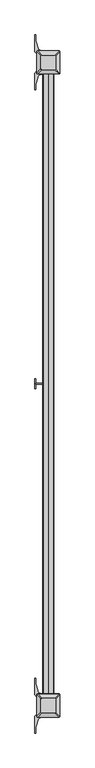
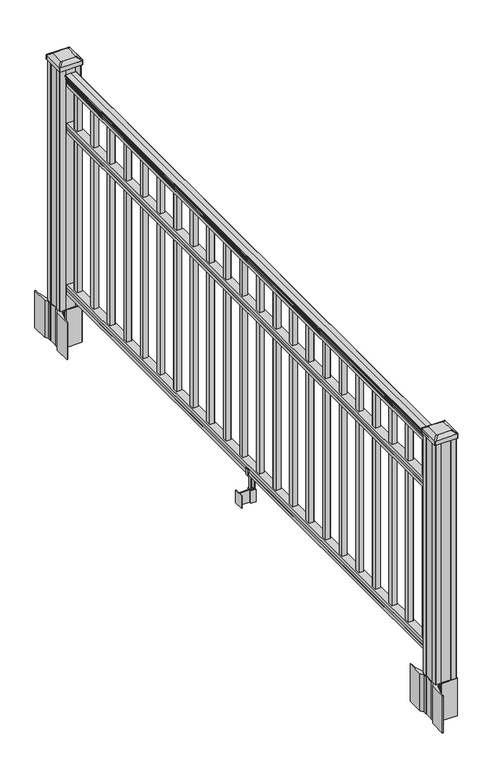
"""IFC4 building model written with IfcOpenShell, lengths in millimetres: railing geometry."""

from ifc_helpers import new_model, si_unit, point, frame, frame_2d, origin, origin_with_axes, place, context, project, spatial, polyline, circle_curve, trimmed, segment, composite_curve, outline, extrude, source, transform, mapped, element, save
from ifc_brep_helpers import plane_surface, extruded_surface, advanced_brep


def railing_6ecf8824(model_context):
    return source(origin(), model_context, "Body", "SolidModel", [
        extrude(outline(composite_curve([segment(polyline([(938.4043297, 949.2470786), (940.292412, 949.2470786)]), True, "CONTINUOUS"), segment(trimmed(circle_curve(frame_2d((946.0506383, 942.9323253)), 8.545951), [point((940.292412, 949.2470786))], [point((941.8546695, 950.3772649))], False, "CARTESIAN"), True, "CONTINUOUS"), segment(trimmed(circle_curve(frame_2d((945.4636577, 943.3693883)), 7.882584), [point((941.8546695, 950.3772649))], [point((949.0726458, 950.3772649))], False, "CARTESIAN"), True, "CONTINUOUS"), segment(trimmed(circle_curve(frame_2d((951.3112527, 953.8827124)), 4.1592695), [point((949.0726458, 950.3772649))], [point((951.5060812, 949.7280085))], True, "CARTESIAN"), True, "CONTINUOUS"), segment(trimmed(circle_curve(frame_2d((951.2508864, 955.1700189)), 5.4479907), [point((951.5060812, 949.7280085))], [point((955.8362083, 952.2280085))], True, "CARTESIAN"), True, "CONTINUOUS"), segment(trimmed(circle_curve(frame_2d((955.833395, 953.9368605)), 1.7088543), [point((955.8362083, 952.2280085))], [point((957.5157972, 953.6373509))], True, "CARTESIAN"), True, "CONTINUOUS"), segment(trimmed(circle_curve(frame_2d((958.6205318, 952.3199604)), 1.7192895), [point((957.5157972, 953.6373509))], [point((958.6205318, 954.0392499))], False, "CARTESIAN"), True, "CONTINUOUS"), segment(polyline([(958.6205318, 954.0392499), (959.9608158, 954.0392498)]), True, "CONTINUOUS"), segment(trimmed(circle_curve(frame_2d((959.9608158, 952.4858026)), 1.5534472), [point((959.9608158, 954.0392498))], [point((961.514263, 952.4858026))], False, "CARTESIAN"), True, "CONTINUOUS"), segment(polyline([(961.514263, 952.4858026), (961.514263, 931.8142498), (961.514263, 911.1426971)]), True, "CONTINUOUS"), segment(trimmed(circle_curve(frame_2d((959.9608158, 911.1426971)), 1.5534472), [point((961.514263, 911.1426971))], [point((959.9608158, 909.5892498))], False, "CARTESIAN"), True, "CONTINUOUS"), segment(polyline([(959.9608158, 909.5892498), (958.6205318, 909.5892498)]), True, "CONTINUOUS"), segment(trimmed(circle_curve(frame_2d((958.6205318, 911.3085393)), 1.7192895), [point((958.6205318, 909.5892498))], [point((957.5157972, 909.9911488))], False, "CARTESIAN"), True, "CONTINUOUS"), segment(trimmed(circle_curve(frame_2d((955.833395, 909.6916392)), 1.7088543), [point((957.5157972, 909.9911488))], [point((955.8362083, 911.4004912))], True, "CARTESIAN"), True, "CONTINUOUS"), segment(trimmed(circle_curve(frame_2d((951.2508864, 908.4584807)), 5.4479907), [point((955.8362083, 911.4004912))], [point((951.5060812, 913.9004912))], True, "CARTESIAN"), True, "CONTINUOUS"), segment(trimmed(circle_curve(frame_2d((951.3112527, 909.7457873)), 4.1592695), [point((951.5060812, 913.9004912))], [point((949.0726458, 913.2512348))], True, "CARTESIAN"), True, "CONTINUOUS"), segment(trimmed(circle_curve(frame_2d((945.4636577, 920.2591114)), 7.882584), [point((949.0726458, 913.2512348))], [point((941.8546695, 913.2512348))], False, "CARTESIAN"), True, "CONTINUOUS"), segment(trimmed(circle_curve(frame_2d((946.0506383, 920.6961744)), 8.545951), [point((941.8546695, 913.2512348))], [point((940.292412, 914.3814211))], False, "CARTESIAN"), True, "CONTINUOUS"), segment(polyline([(940.292412, 914.3814211), (938.4043297, 914.3814211)]), True, "CONTINUOUS"), segment(trimmed(circle_curve(frame_2d((938.4043297, 915.6683355)), 1.2869144), [point((938.4043297, 914.3814211))], [point((938.4043297, 916.9552498))], False, "CARTESIAN"), True, "CONTINUOUS"), segment(polyline([(938.4043297, 916.9552498), (927.9048283, 916.9552498), (926.8888283, 915.9392498), (914.4, 915.9392498), (914.4, 947.6892498), (926.731013, 947.6892498), (927.747013, 946.6732498), (938.4043297, 946.6732498)]), True, "CONTINUOUS"), segment(trimmed(circle_curve(frame_2d((938.4043297, 947.9601642)), 1.2869144), [point((938.4043297, 946.6732498))], [point((938.4043297, 949.2470786))], False, "CARTESIAN"), True, "CONTINUOUS")], self_intersect=False)), frame((0.0, -128207.7191011, 0.0), z_axis=(0.0, 1.0, 0.0), x_axis=(0.0, 0.0, 1.0)), (0.0, 0.0, 1.0), 2438.4),
        extrude(outline(polyline([(736.4541976, 947.7267367), (737.7546183, 946.7107367), (748.1141717, 946.7107367), (749.4624492, 947.7267367), (761.9958781, 947.7267367), (761.9958781, 915.9767367), (749.4458024, 915.9767367), (748.0975248, 916.9927367), (737.7858283, 916.9927367), (736.4375508, 915.9767367), (723.9, 915.9767367), (723.9, 947.7267367), (736.4541976, 947.7267367)])), frame((0.0, -128207.7191011, 0.0), z_axis=(0.0, 1.0, 0.0), x_axis=(0.0, 0.0, 1.0)), (0.0, 0.0, 1.0), 2438.4),
        extrude(outline(polyline([(76.0541976, 947.7267367), (77.3546183, 946.7107367), (87.7141717, 946.7107367), (89.0624492, 947.7267367), (101.5958781, 947.7267367), (101.5958781, 915.9767367), (89.0458024, 915.9767367), (87.6975248, 916.9927367), (77.3858283, 916.9927367), (76.0375508, 915.9767367), (63.5, 915.9767367), (63.5, 947.7267367), (76.0541976, 947.7267367)])), frame((0.0, -128207.7191011, 0.0), z_axis=(0.0, 1.0, 0.0), x_axis=(0.0, 0.0, 1.0)), (0.0, 0.0, 1.0), 2438.4),
        extrude(outline(polyline([(941.3392498, -125828.6281011), (922.2892498, -125828.6281011), (922.2892498, -125809.5781011), (941.3392498, -125809.5781011), (941.3392498, -125828.6281011)]), holes=[polyline([(940.9423748, -125828.2312261), (940.9423748, -125809.9749761), (922.6861248, -125809.9749761), (922.6861248, -125828.2312261), (940.9423748, -125828.2312261)])]), frame((0.0, 0.0, 101.5958781), z_axis=(0.0, 0.0, 1.0), x_axis=(1.0, 0.0, 0.0)), (0.0, 0.0, 1.0), 812.8041219),
        extrude(outline(polyline([(941.3392498, -125939.8801011), (922.2892498, -125939.8801011), (922.2892498, -125920.8301011), (941.3392498, -125920.8301011), (941.3392498, -125939.8801011)]), holes=[polyline([(940.9423748, -125939.4832261), (940.9423748, -125921.2269761), (922.6861248, -125921.2269761), (922.6861248, -125939.4832261), (940.9423748, -125939.4832261)])]), frame((0.0, 0.0, 101.5958781), z_axis=(0.0, 0.0, 1.0), x_axis=(1.0, 0.0, 0.0)), (0.0, 0.0, 1.0), 812.8041219),
        extrude(outline(polyline([(941.3392498, -126051.1321011), (922.2892498, -126051.1321011), (922.2892498, -126032.0821011), (941.3392498, -126032.0821011), (941.3392498, -126051.1321011)]), holes=[polyline([(940.9423748, -126050.7352261), (940.9423748, -126032.4789761), (922.6861248, -126032.4789761), (922.6861248, -126050.7352261), (940.9423748, -126050.7352261)])]), frame((0.0, 0.0, 101.5958781), z_axis=(0.0, 0.0, 1.0), x_axis=(1.0, 0.0, 0.0)), (0.0, 0.0, 1.0), 812.8041219),
        extrude(outline(polyline([(941.3392498, -126162.3841011), (922.2892498, -126162.3841011), (922.2892498, -126143.3341011), (941.3392498, -126143.3341011), (941.3392498, -126162.3841011)]), holes=[polyline([(940.9423748, -126161.9872261), (940.9423748, -126143.7309761), (922.6861248, -126143.7309761), (922.6861248, -126161.9872261), (940.9423748, -126161.9872261)])]), frame((0.0, 0.0, 101.5958781), z_axis=(0.0, 0.0, 1.0), x_axis=(1.0, 0.0, 0.0)), (0.0, 0.0, 1.0), 812.8041219),
        extrude(outline(polyline([(941.3392498, -126273.6361011), (922.2892498, -126273.6361011), (922.2892498, -126254.5861011), (941.3392498, -126254.5861011), (941.3392498, -126273.6361011)]), holes=[polyline([(940.9423748, -126273.2392261), (940.9423748, -126254.9829761), (922.6861248, -126254.9829761), (922.6861248, -126273.2392261), (940.9423748, -126273.2392261)])]), frame((0.0, 0.0, 101.5958781), z_axis=(0.0, 0.0, 1.0), x_axis=(1.0, 0.0, 0.0)), (0.0, 0.0, 1.0), 812.8041219),
        extrude(outline(polyline([(941.3392498, -126384.8881011), (922.2892498, -126384.8881011), (922.2892498, -126365.8381011), (941.3392498, -126365.8381011), (941.3392498, -126384.8881011)]), holes=[polyline([(940.9423748, -126384.4912261), (940.9423748, -126366.2349761), (922.6861248, -126366.2349761), (922.6861248, -126384.4912261), (940.9423748, -126384.4912261)])]), frame((0.0, 0.0, 101.5958781), z_axis=(0.0, 0.0, 1.0), x_axis=(1.0, 0.0, 0.0)), (0.0, 0.0, 1.0), 812.8041219),
        extrude(outline(polyline([(941.3392498, -126496.1401011), (922.2892498, -126496.1401011), (922.2892498, -126477.0901011), (941.3392498, -126477.0901011), (941.3392498, -126496.1401011)]), holes=[polyline([(940.9423748, -126495.7432261), (940.9423748, -126477.4869761), (922.6861248, -126477.4869761), (922.6861248, -126495.7432261), (940.9423748, -126495.7432261)])]), frame((0.0, 0.0, 101.5958781), z_axis=(0.0, 0.0, 1.0), x_axis=(1.0, 0.0, 0.0)), (0.0, 0.0, 1.0), 812.8041219),
        extrude(outline(polyline([(941.3392498, -126607.3921011), (922.2892498, -126607.3921011), (922.2892498, -126588.3421011), (941.3392498, -126588.3421011), (941.3392498, -126607.3921011)]), holes=[polyline([(940.9423748, -126606.9952261), (940.9423748, -126588.7389761), (922.6861248, -126588.7389761), (922.6861248, -126606.9952261), (940.9423748, -126606.9952261)])]), frame((0.0, 0.0, 101.5958781), z_axis=(0.0, 0.0, 1.0), x_axis=(1.0, 0.0, 0.0)), (0.0, 0.0, 1.0), 812.8041219),
        extrude(outline(polyline([(941.3392498, -126718.6441011), (922.2892498, -126718.6441011), (922.2892498, -126699.5941011), (941.3392498, -126699.5941011), (941.3392498, -126718.6441011)]), holes=[polyline([(940.9423748, -126718.2472261), (940.9423748, -126699.9909761), (922.6861248, -126699.9909761), (922.6861248, -126718.2472261), (940.9423748, -126718.2472261)])]), frame((0.0, 0.0, 101.5958781), z_axis=(0.0, 0.0, 1.0), x_axis=(1.0, 0.0, 0.0)), (0.0, 0.0, 1.0), 812.8041219),
        extrude(outline(polyline([(941.3392498, -126829.8961011), (922.2892498, -126829.8961011), (922.2892498, -126810.8461011), (941.3392498, -126810.8461011), (941.3392498, -126829.8961011)]), holes=[polyline([(940.9423748, -126829.4992261), (940.9423748, -126811.2429761), (922.6861248, -126811.2429761), (922.6861248, -126829.4992261), (940.9423748, -126829.4992261)])]), frame((0.0, 0.0, 101.5958781), z_axis=(0.0, 0.0, 1.0), x_axis=(1.0, 0.0, 0.0)), (0.0, 0.0, 1.0), 812.8041219),
        extrude(outline(polyline([(941.3392498, -126941.1481011), (922.2892498, -126941.1481011), (922.2892498, -126922.0981011), (941.3392498, -126922.0981011), (941.3392498, -126941.1481011)]), holes=[polyline([(940.9423748, -126940.7512261), (940.9423748, -126922.4949761), (922.6861248, -126922.4949761), (922.6861248, -126940.7512261), (940.9423748, -126940.7512261)])]), frame((0.0, 0.0, 101.5958781), z_axis=(0.0, 0.0, 1.0), x_axis=(1.0, 0.0, 0.0)), (0.0, 0.0, 1.0), 812.8041219),
        extrude(outline(polyline([(921.1462501, -126988.5191011), (881.7762498, -126988.5191011), (881.7762498, -126985.9791011), (921.1462501, -126985.9791011), (921.1462501, -126988.5191011)])), frame((0.0, 0.0, -50.8), z_axis=(0.0, 0.0, 1.0), x_axis=(1.0, 0.0, 0.0)), (0.0, 0.0, 1.0), 50.8),
        extrude(outline(polyline([(881.7762498, -127006.2991011), (879.2362498, -127006.2991011), (879.2362498, -126968.1991011), (881.7762498, -126968.1991011), (881.7762498, -127006.2991011)])), frame((0.0, 0.0, -50.8), z_axis=(0.0, 0.0, 1.0), x_axis=(1.0, 0.0, 0.0)), (0.0, 0.0, 1.0), 50.8),
        extrude(outline(polyline([(942.4822506, -126997.1551011), (921.1462501, -126997.1551011), (921.1462501, -126977.3431011), (942.4822506, -126977.3431011), (942.4822506, -126997.1551011)]), holes=[polyline([(939.1802505, -126994.6151011), (939.1802505, -126979.8831011), (924.4482501, -126979.8831011), (924.4482501, -126994.6151011), (939.1802505, -126994.6151011)])]), frame((0.0, 0.0, -50.8), z_axis=(0.0, 0.0, 1.0), x_axis=(1.0, 0.0, 0.0)), (0.0, 0.0, 1.0), 50.8),
        extrude(outline(polyline([(88.7203979, 913.653251), (87.9583969, 912.89125), (61.4680023, 912.89125), (60.7060013, 913.653251), (60.7060013, 923.6862501), (59.9440012, 924.4482501), (-3.5559988, 924.4482501), (-3.5559988, 939.1802505), (59.9440012, 939.1802505), (60.7060013, 939.9422506), (60.7060013, 949.9752496), (61.4680023, 950.7372507), (87.9583969, 950.7372507), (88.7203979, 949.9752496), (88.7203979, 947.94325), (87.7043953, 946.9272502), (77.2686081, 946.9272502), (76.2526073, 947.94325), (64.262001, 947.94325), (63.5000019, 947.1812509), (63.5000019, 916.4472497), (64.262001, 915.6852506), (76.2526073, 915.6852506), (77.2686081, 916.7012504), (87.7043953, 916.7012504), (88.7203979, 915.6852506), (88.7203979, 913.653251)]), holes=[polyline([(60.7060013, 935.2432502), (59.9440012, 936.0052503), (3.9370031, 936.0052503), (3.1750031, 935.2432502), (3.1750031, 928.3852476), (3.9370003, 927.6232503), (59.9440012, 927.6232503), (60.7060013, 928.3852504), (60.7060013, 935.2432502)])]), frame((0.0, -126994.6151011, 0.0), z_axis=(0.0, 1.0, 0.0), x_axis=(0.0, 0.0, 1.0)), (0.0, 0.0, 1.0), 14.732),
        extrude(outline(polyline([(941.3392498, -127052.4001011), (922.2892498, -127052.4001011), (922.2892498, -127033.3501011), (941.3392498, -127033.3501011), (941.3392498, -127052.4001011)]), holes=[polyline([(940.9423748, -127052.0032261), (940.9423748, -127033.7469761), (922.6861248, -127033.7469761), (922.6861248, -127052.0032261), (940.9423748, -127052.0032261)])]), frame((0.0, 0.0, 101.5958781), z_axis=(0.0, 0.0, 1.0), x_axis=(1.0, 0.0, 0.0)), (0.0, 0.0, 1.0), 812.8041219),
        extrude(outline(polyline([(941.3392498, -127163.6521011), (922.2892498, -127163.6521011), (922.2892498, -127144.6021011), (941.3392498, -127144.6021011), (941.3392498, -127163.6521011)]), holes=[polyline([(940.9423748, -127163.2552261), (940.9423748, -127144.9989761), (922.6861248, -127144.9989761), (922.6861248, -127163.2552261), (940.9423748, -127163.2552261)])]), frame((0.0, 0.0, 101.5958781), z_axis=(0.0, 0.0, 1.0), x_axis=(1.0, 0.0, 0.0)), (0.0, 0.0, 1.0), 812.8041219),
        extrude(outline(polyline([(941.3392498, -127274.9041011), (922.2892498, -127274.9041011), (922.2892498, -127255.8541011), (941.3392498, -127255.8541011), (941.3392498, -127274.9041011)]), holes=[polyline([(940.9423748, -127274.5072261), (940.9423748, -127256.2509761), (922.6861248, -127256.2509761), (922.6861248, -127274.5072261), (940.9423748, -127274.5072261)])]), frame((0.0, 0.0, 101.5958781), z_axis=(0.0, 0.0, 1.0), x_axis=(1.0, 0.0, 0.0)), (0.0, 0.0, 1.0), 812.8041219),
        extrude(outline(polyline([(941.3392498, -127386.1561011), (922.2892498, -127386.1561011), (922.2892498, -127367.1061011), (941.3392498, -127367.1061011), (941.3392498, -127386.1561011)]), holes=[polyline([(940.9423748, -127385.7592261), (940.9423748, -127367.5029761), (922.6861248, -127367.5029761), (922.6861248, -127385.7592261), (940.9423748, -127385.7592261)])]), frame((0.0, 0.0, 101.5958781), z_axis=(0.0, 0.0, 1.0), x_axis=(1.0, 0.0, 0.0)), (0.0, 0.0, 1.0), 812.8041219),
        extrude(outline(polyline([(941.3392498, -127497.4081011), (922.2892498, -127497.4081011), (922.2892498, -127478.3581011), (941.3392498, -127478.3581011), (941.3392498, -127497.4081011)]), holes=[polyline([(940.9423748, -127497.0112261), (940.9423748, -127478.7549761), (922.6861248, -127478.7549761), (922.6861248, -127497.0112261), (940.9423748, -127497.0112261)])]), frame((0.0, 0.0, 101.5958781), z_axis=(0.0, 0.0, 1.0), x_axis=(1.0, 0.0, 0.0)), (0.0, 0.0, 1.0), 812.8041219),
        extrude(outline(polyline([(941.3392498, -127608.6601011), (922.2892498, -127608.6601011), (922.2892498, -127589.6101011), (941.3392498, -127589.6101011), (941.3392498, -127608.6601011)]), holes=[polyline([(940.9423748, -127608.2632261), (940.9423748, -127590.0069761), (922.6861248, -127590.0069761), (922.6861248, -127608.2632261), (940.9423748, -127608.2632261)])]), frame((0.0, 0.0, 101.5958781), z_axis=(0.0, 0.0, 1.0), x_axis=(1.0, 0.0, 0.0)), (0.0, 0.0, 1.0), 812.8041219),
        extrude(outline(polyline([(941.3392498, -127719.9121011), (922.2892498, -127719.9121011), (922.2892498, -127700.8621011), (941.3392498, -127700.8621011), (941.3392498, -127719.9121011)]), holes=[polyline([(940.9423748, -127719.5152261), (940.9423748, -127701.2589761), (922.6861248, -127701.2589761), (922.6861248, -127719.5152261), (940.9423748, -127719.5152261)])]), frame((0.0, 0.0, 101.5958781), z_axis=(0.0, 0.0, 1.0), x_axis=(1.0, 0.0, 0.0)), (0.0, 0.0, 1.0), 812.8041219),
        extrude(outline(polyline([(941.3392498, -127831.1641011), (922.2892498, -127831.1641011), (922.2892498, -127812.1141011), (941.3392498, -127812.1141011), (941.3392498, -127831.1641011)]), holes=[polyline([(940.9423748, -127830.7672261), (940.9423748, -127812.5109761), (922.6861248, -127812.5109761), (922.6861248, -127830.7672261), (940.9423748, -127830.7672261)])]), frame((0.0, 0.0, 101.5958781), z_axis=(0.0, 0.0, 1.0), x_axis=(1.0, 0.0, 0.0)), (0.0, 0.0, 1.0), 812.8041219),
        extrude(outline(polyline([(941.3392498, -127942.4161011), (922.2892498, -127942.4161011), (922.2892498, -127923.3661011), (941.3392498, -127923.3661011), (941.3392498, -127942.4161011)]), holes=[polyline([(940.9423748, -127942.0192261), (940.9423748, -127923.7629761), (922.6861248, -127923.7629761), (922.6861248, -127942.0192261), (940.9423748, -127942.0192261)])]), frame((0.0, 0.0, 101.5958781), z_axis=(0.0, 0.0, 1.0), x_axis=(1.0, 0.0, 0.0)), (0.0, 0.0, 1.0), 812.8041219),
        extrude(outline(polyline([(941.3392498, -128053.6681011), (922.2892498, -128053.6681011), (922.2892498, -128034.6181011), (941.3392498, -128034.6181011), (941.3392498, -128053.6681011)]), holes=[polyline([(940.9423748, -128053.2712261), (940.9423748, -128035.0149761), (922.6861248, -128035.0149761), (922.6861248, -128053.2712261), (940.9423748, -128053.2712261)])]), frame((0.0, 0.0, 101.5958781), z_axis=(0.0, 0.0, 1.0), x_axis=(1.0, 0.0, 0.0)), (0.0, 0.0, 1.0), 812.8041219),
        extrude(outline(polyline([(941.3392498, -128164.9201011), (922.2892498, -128164.9201011), (922.2892498, -128145.8701011), (941.3392498, -128145.8701011), (941.3392498, -128164.9201011)]), holes=[polyline([(940.9423748, -128164.5232261), (940.9423748, -128146.2669761), (922.6861248, -128146.2669761), (922.6861248, -128164.5232261), (940.9423748, -128164.5232261)])]), frame((0.0, 0.0, 101.5958781), z_axis=(0.0, 0.0, 1.0), x_axis=(1.0, 0.0, 0.0)), (0.0, 0.0, 1.0), 812.8041219),
        extrude(outline(composite_curve([segment(polyline([(974.5497498, -125745.303196), (976.1372498, -125746.065196), (976.1372498, -125768.8671241), (972.7642728, -125772.2401011), (911.304602, -125772.2401011), (911.304602, -125773.1608511), (905.9870581, -125773.1608511), (905.9870581, -125774.6151058), (900.9025284, -125774.6151058), (900.9025284, -125775.8991297), (899.2352561, -125775.8991297)]), True, "CONTINUOUS"), segment(trimmed(circle_curve(frame_2d((899.2352561, -125782.9585895)), 7.0594599), [point((899.2352561, -125775.8991297))], [point((892.4679933, -125780.9485828))], True, "CARTESIAN"), True, "CONTINUOUS"), segment(polyline([(892.4679933, -125780.9485828), (884.593799, -125807.4593119)]), True, "CONTINUOUS"), segment(trimmed(circle_curve(frame_2d((939.3783123, -125823.7313616)), 57.15), [point((884.593799, -125807.4593119))], [point((882.2283123, -125823.7313616))], True, "CARTESIAN"), True, "CONTINUOUS"), segment(polyline([(882.2283123, -125823.7313616), (882.2283123, -125835.7401011), (879.2283123, -125835.7401011), (879.2283123, -125770.6526011), (887.4912498, -125759.3143098), (887.4912498, -125746.065196), (889.0787498, -125745.303196), (889.0787498, -125710.5310063), (887.4912498, -125709.7690063), (887.4912498, -125696.5198925), (879.2283123, -125685.1816011), (879.2283123, -125620.0941011), (882.2283123, -125620.0941011), (882.2283123, -125632.1028407)]), True, "CONTINUOUS"), segment(trimmed(circle_curve(frame_2d((939.3783123, -125632.1028407)), 57.15), [point((882.2283123, -125632.1028407))], [point((884.593799, -125648.3748904))], True, "CARTESIAN"), True, "CONTINUOUS"), segment(polyline([(884.593799, -125648.3748904), (892.4679933, -125674.8856194)]), True, "CONTINUOUS"), segment(trimmed(circle_curve(frame_2d((899.2352561, -125672.8756128)), 7.0594599), [point((892.4679933, -125674.8856194))], [point((899.2352561, -125679.9350726))], True, "CARTESIAN"), True, "CONTINUOUS"), segment(polyline([(899.2352561, -125679.9350726), (900.9025284, -125679.9350726), (900.9025284, -125681.2190965), (905.9870581, -125681.2190965), (905.9870581, -125682.6733511), (911.304602, -125682.6733511), (911.304602, -125683.5941011), (972.7642728, -125683.5941011), (976.1372498, -125686.9670782), (976.1372498, -125709.7690063), (974.5497498, -125710.5310063), (974.5497498, -125745.303196)]), True, "CONTINUOUS")], self_intersect=False), holes=[polyline([(890.5392498, -125688.2296011), (890.5392498, -125767.6046011), (892.1267498, -125769.1921011), (929.0510325, -125769.1921011), (971.5017498, -125769.1921011), (973.0892498, -125767.6046011), (973.0892498, -125688.2296011), (971.5017498, -125686.6421011), (929.0510325, -125686.6421011), (892.1267498, -125686.6421011), (890.5392498, -125688.2296011)])]), frame((0.0, 0.0, -152.4), z_axis=(0.0, 0.0, 1.0), x_axis=(1.0, 0.0, 0.0)), (0.0, 0.0, 1.0), 152.4),
        advanced_brep(
        [(906.0173748, -125756.8889761, 1012.825), (957.6111248, -125756.8889761, 1012.825), (960.7861248, -125753.7139761, 1012.825), (960.7861248, -125702.1202261, 1012.825), (957.6111248, -125698.9452261, 1012.825), (906.0173748, -125698.9452261, 1012.825), (902.8423748, -125702.1202261, 1012.825), (902.8423748, -125753.7139761, 1012.825), (889.7454998, -125773.1608511, 1001.522), (886.5704998, -125769.9858511, 1001.522), (886.5704998, -125685.8483511, 1001.522), (889.7454998, -125682.6733511, 1001.522), (973.8829998, -125682.6733511, 1001.522), (977.0579998, -125685.8483511, 1001.522), (977.0579998, -125769.9858511, 1001.522), (973.8829998, -125773.1608511, 1001.522)],
        [
            (0, 1),
            (1, 2, circle_curve(frame((957.6111248, -125753.7139761, 1012.825), z_axis=(0.0, 0.0, 1.0), x_axis=(0.0, 1.0, 0.0)), 3.175)),
            (2, 3),
            (3, 4, circle_curve(frame((957.6111248, -125702.1202261, 1012.825), z_axis=(0.0, 0.0, 1.0), x_axis=(0.0, 1.0, 0.0)), 3.175)),
            (4, 5),
            (5, 6, circle_curve(frame((906.0173748, -125702.1202261, 1012.825), z_axis=(0.0, 0.0, 1.0), x_axis=(0.0, 1.0, 0.0)), 3.175)),
            (6, 7),
            (7, 0, circle_curve(frame((906.0173748, -125753.7139761, 1012.825), z_axis=(0.0, 0.0, 1.0), x_axis=(0.0, 1.0, 0.0)), 3.175)),
            (8, 9, circle_curve(frame((889.7454998, -125769.9858511, 1001.522), z_axis=(0.0, 0.0, -1.0), x_axis=(0.0, 1.0, 0.0)), 3.175)),
            (9, 10),
            (10, 11, circle_curve(frame((889.7454998, -125685.8483511, 1001.522), z_axis=(0.0, 0.0, -1.0), x_axis=(0.0, 1.0, 0.0)), 3.175)),
            (11, 12),
            (12, 13, circle_curve(frame((973.8829998, -125685.8483511, 1001.522), z_axis=(0.0, 0.0, -1.0), x_axis=(0.0, 1.0, 0.0)), 3.175)),
            (13, 14),
            (14, 15, circle_curve(frame((973.8829998, -125769.9858511, 1001.522), z_axis=(0.0, 0.0, -1.0), x_axis=(0.0, 1.0, 0.0)), 3.175)),
            (15, 8),
            (8, 0),
            (7, 9),
            (6, 10),
            (5, 11),
            (4, 12),
            (3, 13),
            (2, 14),
            (1, 15),
        ],
        [
            plane_surface(frame((931.8142498, -125727.9171011, 1012.825), z_axis=(0.0, 0.0, 1.0), x_axis=(-1.0, 0.0, 0.0))),
            plane_surface(frame((931.8142498, -125727.9171011, 1001.522), z_axis=(0.0, 0.0, -1.0), x_axis=(-1.0, 0.0, 0.0))),
            extruded_surface(trimmed(circle_curve(frame((906.0173748, -125753.7139761, 1012.825), z_axis=(0.0, 0.0, -1.0), x_axis=(0.0, 1.0, 0.0)), 3.175), [point((906.0173748, -125756.8889761, 1012.825))], [point((902.8423748, -125753.7139761, 1012.825))], True, "CARTESIAN"), (-16.271875000000023, -16.27187500000582, -11.302999999999997), 25.637972638869872),
            plane_surface(frame((886.5704998, -125727.9171011, 1001.522), z_axis=(-0.5705009161540779, 0.0, 0.8212969649690408), x_axis=(0.0, 1.0, 0.0))),
            extruded_surface(trimmed(circle_curve(frame((906.0173748, -125702.1202261, 1012.825), z_axis=(0.0, 0.0, -1.0), x_axis=(0.0, 1.0, 0.0)), 3.175), [point((902.8423748, -125702.1202261, 1012.825))], [point((906.0173748, -125698.9452261, 1012.825))], True, "CARTESIAN"), (-16.271875000000023, 16.27187500000582, -11.302999999999997), 25.637972638869872),
            plane_surface(frame((931.8142498, -125682.6733511, 1001.522), z_axis=(0.0, 0.5705009161540291, 0.8212969649690747), x_axis=(1.0, 0.0, 0.0))),
            extruded_surface(trimmed(circle_curve(frame((957.6111248, -125702.1202261, 1012.825), z_axis=(0.0, 0.0, -1.0), x_axis=(0.0, 1.0, 0.0)), 3.175), [point((957.6111248, -125698.9452261, 1012.825))], [point((960.7861248, -125702.1202261, 1012.825))], True, "CARTESIAN"), (16.271875000000023, 16.27187500000582, -11.302999999999997), 25.637972638869872),
            plane_surface(frame((977.0579998, -125727.9171011, 1001.522), z_axis=(0.5705009161540141, 0.0, 0.8212969649690851), x_axis=(0.0, -1.0, 0.0))),
            extruded_surface(trimmed(circle_curve(frame((957.6111248, -125753.7139761, 1012.825), z_axis=(0.0, 0.0, -1.0), x_axis=(0.0, 1.0, 0.0)), 3.175), [point((960.7861248, -125753.7139761, 1012.825))], [point((957.6111248, -125756.8889761, 1012.825))], True, "CARTESIAN"), (16.271875000000023, -16.27187500000582, -11.302999999999997), 25.637972638869872),
            plane_surface(frame((931.8142498, -125773.1608511, 1001.522), z_axis=(0.0, -0.570500916154034, 0.8212969649690713), x_axis=(-1.0, 0.0, 0.0))),
        ],
        [
            (0, [[1, 2, 3, 4, 5, 6, 7, 8]]),
            (1, [[9, 10, 11, 12, 13, 14, 15, 16]]),
            (2, [[17, -8, 18, -9]]),
            (3, [[-18, -7, 19, -10]]),
            (4, [[-19, -6, 20, -11]]),
            (5, [[-20, -5, 21, -12]]),
            (6, [[-21, -4, 22, -13]]),
            (7, [[-22, -3, 23, -14]]),
            (8, [[-23, -2, 24, -15]]),
            (9, [[-24, -1, -17, -16]]),
        ],
    ),
        extrude(outline(composite_curve([segment(trimmed(circle_curve(frame_2d((889.7454998, -125769.9858511)), 3.175), [point((889.7454998, -125773.1608511))], [point((886.5704998, -125769.9858511))], False, "CARTESIAN"), True, "CONTINUOUS"), segment(polyline([(886.5704998, -125769.9858511), (886.5704998, -125685.8483511)]), True, "CONTINUOUS"), segment(trimmed(circle_curve(frame_2d((889.7454998, -125685.8483511)), 3.175), [point((886.5704998, -125685.8483511))], [point((889.7454998, -125682.6733511))], False, "CARTESIAN"), True, "CONTINUOUS"), segment(polyline([(889.7454998, -125682.6733511), (973.8829998, -125682.6733511)]), True, "CONTINUOUS"), segment(trimmed(circle_curve(frame_2d((973.8829998, -125685.8483511)), 3.175), [point((973.8829998, -125682.6733511))], [point((977.0579998, -125685.8483511))], False, "CARTESIAN"), True, "CONTINUOUS"), segment(polyline([(977.0579998, -125685.8483511), (977.0579998, -125769.9858511)]), True, "CONTINUOUS"), segment(trimmed(circle_curve(frame_2d((973.8829998, -125769.9858511)), 3.175), [point((977.0579998, -125769.9858511))], [point((973.8829998, -125773.1608511))], False, "CARTESIAN"), True, "CONTINUOUS"), segment(polyline([(973.8829998, -125773.1608511), (889.7454998, -125773.1608511)]), True, "CONTINUOUS")], self_intersect=False)), frame((0.0, 0.0, 984.25), z_axis=(0.0, 0.0, 1.0), x_axis=(1.0, 0.0, 0.0)), (0.0, 0.0, 1.0), 17.272),
        extrude(outline(polyline([(892.1267498, -125769.1921011), (890.5392498, -125767.6046011), (890.5392498, -125747.9831011), (892.1267498, -125747.2211011), (892.1267498, -125708.6131011), (890.5392498, -125707.8511011), (890.5392498, -125688.2296011), (892.1267498, -125686.6421011), (911.7482498, -125686.6421011), (912.5102498, -125688.2296011), (951.1182498, -125688.2296011), (951.8802498, -125686.6421011), (971.5017498, -125686.6421011), (973.0892498, -125688.2296011), (973.0892498, -125707.8511011), (971.5017498, -125708.6131011), (971.5017498, -125747.2211011), (973.0892498, -125747.9831011), (973.0892498, -125767.6046011), (971.5017498, -125769.1921011), (951.8802498, -125769.1921011), (951.1182498, -125767.6046011), (912.5102498, -125767.6046011), (911.7482498, -125769.1921011), (892.1267498, -125769.1921011)])), origin_with_axes(), (0.0, 0.0, 1.0), 984.25),
        extrude(outline(composite_curve([segment(polyline([(974.5497498, -128266.507196), (976.1372498, -128267.269196), (976.1372498, -128290.0711241), (972.7642728, -128293.4441011), (911.304602, -128293.4441011), (911.304602, -128294.3648511), (905.9870581, -128294.3648511), (905.9870581, -128295.8191058), (900.9025284, -128295.8191058), (900.9025284, -128297.1031297), (899.2352561, -128297.1031297)]), True, "CONTINUOUS"), segment(trimmed(circle_curve(frame_2d((899.2352561, -128304.1625895)), 7.0594599), [point((899.2352561, -128297.1031297))], [point((892.4679933, -128302.1525828))], True, "CARTESIAN"), True, "CONTINUOUS"), segment(polyline([(892.4679933, -128302.1525828), (884.593799, -128328.6633119)]), True, "CONTINUOUS"), segment(trimmed(circle_curve(frame_2d((939.3783123, -128344.9353616)), 57.15), [point((884.593799, -128328.6633119))], [point((882.2283123, -128344.9353616))], True, "CARTESIAN"), True, "CONTINUOUS"), segment(polyline([(882.2283123, -128344.9353616), (882.2283123, -128356.9441011), (879.2283123, -128356.9441011), (879.2283123, -128291.8566011), (887.4912498, -128280.5183098), (887.4912498, -128267.269196), (889.0787498, -128266.507196), (889.0787498, -128231.7350063), (887.4912498, -128230.9730063), (887.4912498, -128217.7238925), (879.2283123, -128206.3856011), (879.2283123, -128141.2981011), (882.2283123, -128141.2981011), (882.2283123, -128153.3068407)]), True, "CONTINUOUS"), segment(trimmed(circle_curve(frame_2d((939.3783123, -128153.3068407)), 57.15), [point((882.2283123, -128153.3068407))], [point((884.593799, -128169.5788904))], True, "CARTESIAN"), True, "CONTINUOUS"), segment(polyline([(884.593799, -128169.5788904), (892.4679933, -128196.0896194)]), True, "CONTINUOUS"), segment(trimmed(circle_curve(frame_2d((899.2352561, -128194.0796128)), 7.0594599), [point((892.4679933, -128196.0896194))], [point((899.2352561, -128201.1390726))], True, "CARTESIAN"), True, "CONTINUOUS"), segment(polyline([(899.2352561, -128201.1390726), (900.9025284, -128201.1390726), (900.9025284, -128202.4230965), (905.9870581, -128202.4230965), (905.9870581, -128203.8773511), (911.304602, -128203.8773511), (911.304602, -128204.7981011), (972.7642728, -128204.7981011), (976.1372498, -128208.1710782), (976.1372498, -128230.9730063), (974.5497498, -128231.7350063), (974.5497498, -128266.507196)]), True, "CONTINUOUS")], self_intersect=False), holes=[polyline([(890.5392498, -128209.4336011), (890.5392498, -128288.8086011), (892.1267498, -128290.3961011), (929.0510325, -128290.3961011), (971.5017498, -128290.3961011), (973.0892498, -128288.8086011), (973.0892498, -128209.4336011), (971.5017498, -128207.8461011), (929.0510325, -128207.8461011), (892.1267498, -128207.8461011), (890.5392498, -128209.4336011)])]), frame((0.0, 0.0, -152.4), z_axis=(0.0, 0.0, 1.0), x_axis=(1.0, 0.0, 0.0)), (0.0, 0.0, 1.0), 152.4),
        advanced_brep(
        [(906.0173748, -128278.0929761, 1012.825), (957.6111248, -128278.0929761, 1012.825), (960.7861248, -128274.9179761, 1012.825), (960.7861248, -128223.3242261, 1012.825), (957.6111248, -128220.1492261, 1012.825), (906.0173748, -128220.1492261, 1012.825), (902.8423748, -128223.3242261, 1012.825), (902.8423748, -128274.9179761, 1012.825), (889.7454998, -128294.3648511, 1001.522), (886.5704998, -128291.1898511, 1001.522), (886.5704998, -128207.0523511, 1001.522), (889.7454998, -128203.8773511, 1001.522), (973.8829998, -128203.8773511, 1001.522), (977.0579998, -128207.0523511, 1001.522), (977.0579998, -128291.1898511, 1001.522), (973.8829998, -128294.3648511, 1001.522)],
        [
            (0, 1),
            (1, 2, circle_curve(frame((957.6111248, -128274.9179761, 1012.825), z_axis=(0.0, 0.0, 1.0), x_axis=(0.0, 1.0, 0.0)), 3.175)),
            (2, 3),
            (3, 4, circle_curve(frame((957.6111248, -128223.3242261, 1012.825), z_axis=(0.0, 0.0, 1.0), x_axis=(0.0, 1.0, 0.0)), 3.175)),
            (4, 5),
            (5, 6, circle_curve(frame((906.0173748, -128223.3242261, 1012.825), z_axis=(0.0, 0.0, 1.0), x_axis=(0.0, 1.0, 0.0)), 3.175)),
            (6, 7),
            (7, 0, circle_curve(frame((906.0173748, -128274.9179761, 1012.825), z_axis=(0.0, 0.0, 1.0), x_axis=(0.0, 1.0, 0.0)), 3.175)),
            (8, 9, circle_curve(frame((889.7454998, -128291.1898511, 1001.522), z_axis=(0.0, 0.0, -1.0), x_axis=(0.0, 1.0, 0.0)), 3.175)),
            (9, 10),
            (10, 11, circle_curve(frame((889.7454998, -128207.0523511, 1001.522), z_axis=(0.0, 0.0, -1.0), x_axis=(0.0, 1.0, 0.0)), 3.175)),
            (11, 12),
            (12, 13, circle_curve(frame((973.8829998, -128207.0523511, 1001.522), z_axis=(0.0, 0.0, -1.0), x_axis=(0.0, 1.0, 0.0)), 3.175)),
            (13, 14),
            (14, 15, circle_curve(frame((973.8829998, -128291.1898511, 1001.522), z_axis=(0.0, 0.0, -1.0), x_axis=(0.0, 1.0, 0.0)), 3.175)),
            (15, 8),
            (8, 0),
            (7, 9),
            (6, 10),
            (5, 11),
            (4, 12),
            (3, 13),
            (2, 14),
            (1, 15),
        ],
        [
            plane_surface(frame((931.8142498, -128249.1211011, 1012.825), z_axis=(0.0, 0.0, 1.0), x_axis=(-1.0, 0.0, 0.0))),
            plane_surface(frame((931.8142498, -128249.1211011, 1001.522), z_axis=(0.0, 0.0, -1.0), x_axis=(-1.0, 0.0, 0.0))),
            extruded_surface(trimmed(circle_curve(frame((906.0173748, -128274.9179761, 1012.825), z_axis=(0.0, 0.0, -1.0), x_axis=(0.0, 1.0, 0.0)), 3.175), [point((906.0173748, -128278.0929761, 1012.825))], [point((902.8423748, -128274.9179761, 1012.825))], True, "CARTESIAN"), (-16.271875000000023, -16.27187500000582, -11.302999999999997), 25.637972638869872),
            plane_surface(frame((886.5704998, -128249.1211011, 1001.522), z_axis=(-0.5705009161540779, 0.0, 0.8212969649690408), x_axis=(0.0, 1.0, 0.0))),
            extruded_surface(trimmed(circle_curve(frame((906.0173748, -128223.3242261, 1012.825), z_axis=(0.0, 0.0, -1.0), x_axis=(0.0, 1.0, 0.0)), 3.175), [point((902.8423748, -128223.3242261, 1012.825))], [point((906.0173748, -128220.1492261, 1012.825))], True, "CARTESIAN"), (-16.271875000000023, 16.27187499999127, -11.302999999999997), 25.637972638860635),
            plane_surface(frame((931.8142498, -128203.8773511, 1001.522), z_axis=(0.0, 0.5705009161540291, 0.8212969649690747), x_axis=(1.0, 0.0, 0.0))),
            extruded_surface(trimmed(circle_curve(frame((957.6111248, -128223.3242261, 1012.825), z_axis=(0.0, 0.0, -1.0), x_axis=(0.0, 1.0, 0.0)), 3.175), [point((957.6111248, -128220.1492261, 1012.825))], [point((960.7861248, -128223.3242261, 1012.825))], True, "CARTESIAN"), (16.271875000000023, 16.27187499999127, -11.302999999999997), 25.637972638860635),
            plane_surface(frame((977.0579998, -128249.1211011, 1001.522), z_axis=(0.5705009161540141, 0.0, 0.8212969649690851), x_axis=(0.0, -1.0, 0.0))),
            extruded_surface(trimmed(circle_curve(frame((957.6111248, -128274.9179761, 1012.825), z_axis=(0.0, 0.0, -1.0), x_axis=(0.0, 1.0, 0.0)), 3.175), [point((960.7861248, -128274.9179761, 1012.825))], [point((957.6111248, -128278.0929761, 1012.825))], True, "CARTESIAN"), (16.271875000000023, -16.27187500000582, -11.302999999999997), 25.637972638869872),
            plane_surface(frame((931.8142498, -128294.3648511, 1001.522), z_axis=(0.0, -0.570500916154034, 0.8212969649690713), x_axis=(-1.0, 0.0, 0.0))),
        ],
        [
            (0, [[1, 2, 3, 4, 5, 6, 7, 8]]),
            (1, [[9, 10, 11, 12, 13, 14, 15, 16]]),
            (2, [[17, -8, 18, -9]]),
            (3, [[-18, -7, 19, -10]]),
            (4, [[-19, -6, 20, -11]]),
            (5, [[-20, -5, 21, -12]]),
            (6, [[-21, -4, 22, -13]]),
            (7, [[-22, -3, 23, -14]]),
            (8, [[-23, -2, 24, -15]]),
            (9, [[-24, -1, -17, -16]]),
        ],
    ),
        extrude(outline(composite_curve([segment(trimmed(circle_curve(frame_2d((889.7454998, -128291.1898511)), 3.175), [point((889.7454998, -128294.3648511))], [point((886.5704998, -128291.1898511))], False, "CARTESIAN"), True, "CONTINUOUS"), segment(polyline([(886.5704998, -128291.1898511), (886.5704998, -128207.0523511)]), True, "CONTINUOUS"), segment(trimmed(circle_curve(frame_2d((889.7454998, -128207.0523511)), 3.175), [point((886.5704998, -128207.0523511))], [point((889.7454998, -128203.8773511))], False, "CARTESIAN"), True, "CONTINUOUS"), segment(polyline([(889.7454998, -128203.8773511), (973.8829998, -128203.8773511)]), True, "CONTINUOUS"), segment(trimmed(circle_curve(frame_2d((973.8829998, -128207.0523511)), 3.175), [point((973.8829998, -128203.8773511))], [point((977.0579998, -128207.0523511))], False, "CARTESIAN"), True, "CONTINUOUS"), segment(polyline([(977.0579998, -128207.0523511), (977.0579998, -128291.1898511)]), True, "CONTINUOUS"), segment(trimmed(circle_curve(frame_2d((973.8829998, -128291.1898511)), 3.175), [point((977.0579998, -128291.1898511))], [point((973.8829998, -128294.3648511))], False, "CARTESIAN"), True, "CONTINUOUS"), segment(polyline([(973.8829998, -128294.3648511), (889.7454998, -128294.3648511)]), True, "CONTINUOUS")], self_intersect=False)), frame((0.0, 0.0, 984.25), z_axis=(0.0, 0.0, 1.0), x_axis=(1.0, 0.0, 0.0)), (0.0, 0.0, 1.0), 17.272),
        extrude(outline(polyline([(892.1267498, -128290.3961011), (890.5392498, -128288.8086011), (890.5392498, -128269.1871011), (892.1267498, -128268.4251011), (892.1267498, -128229.8171011), (890.5392498, -128229.0551011), (890.5392498, -128209.4336011), (892.1267498, -128207.8461011), (911.7482498, -128207.8461011), (912.5102498, -128209.4336011), (951.1182498, -128209.4336011), (951.8802498, -128207.8461011), (971.5017498, -128207.8461011), (973.0892498, -128209.4336011), (973.0892498, -128229.0551011), (971.5017498, -128229.8171011), (971.5017498, -128268.4251011), (973.0892498, -128269.1871011), (973.0892498, -128288.8086011), (971.5017498, -128290.3961011), (951.8802498, -128290.3961011), (951.1182498, -128288.8086011), (912.5102498, -128288.8086011), (911.7482498, -128290.3961011), (892.1267498, -128290.3961011)])), origin_with_axes(), (0.0, 0.0, 1.0), 984.25),
    ])


if __name__ == "__main__":
    model = new_model("IFC4")
    model_context = context("Model", 3, world=origin())
    ifc_project = project(units=[si_unit("LENGTHUNIT", "METRE", prefix="MILLI")], contexts=[model_context])
    site = spatial("IfcSite", under=ifc_project)
    building = spatial("IfcBuilding", under=site)
    placement = place(None, origin())
    railing_shape = railing_6ecf8824(model_context)
    element("IfcRailing", 1, at=placement, inside=building, context=model_context, shape_type="MappedRepresentation", body=[
        mapped(railing_shape, transform((0.0, 0.0, 0.0), x_axis=(1.0, 0.0, 0.0), y_axis=(0.0, 1.0, 0.0), z_axis=(0.0, 0.0, 1.0))),
    ])
    save(model, "model.ifc")
